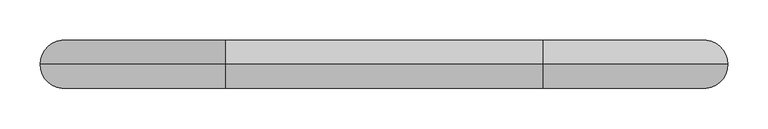
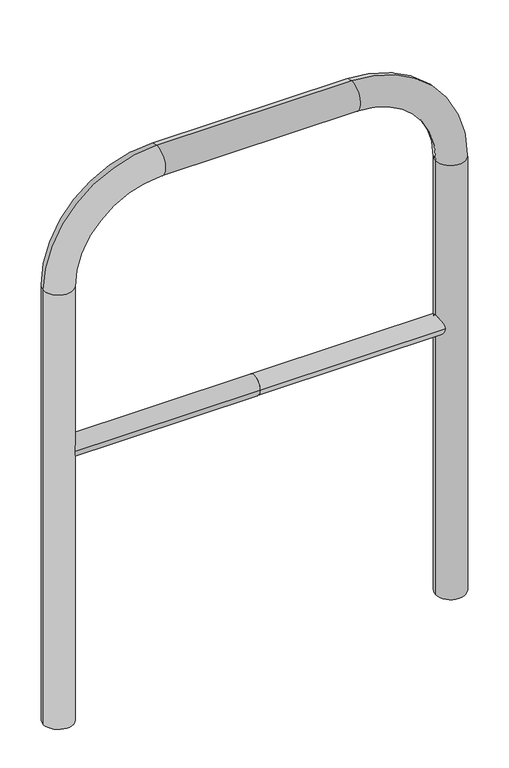
"""IFC4 building model written with IfcOpenShell, lengths in millimetres: proxy geometry."""

from ifc_helpers import new_model, si_unit, point, frame, frame_2d, origin, place, context, project, spatial, circle_curve, ellipse_curve, trimmed, segment, composite_curve, outline, extrude, source, transform, mapped, element, save
from ifc_brep_helpers import plane_surface, cylinder_surface, revolved_surface, advanced_brep


def generic_models_2510f343(model_context):
    return source(origin(), model_context, "Body", "SolidModel", [
        extrude(outline(composite_curve([segment(trimmed(circle_curve(frame_2d((0.0, 498.4778375)), 20.0), [point((-20.0, 498.4778375))], [point((20.0, 498.4778375))], False, "CARTESIAN"), True, "CONTINUOUS"), segment(trimmed(circle_curve(frame_2d((0.0, 498.4778375)), 20.0), [point((20.0, 498.4778375))], [point((-20.0, 498.4778375))], False, "CARTESIAN"), True, "CONTINUOUS")], self_intersect=False)), frame((-397.3366207, 0.0, 0.0), z_axis=(1.0, 0.0, 0.0), x_axis=(0.0, 1.0, 0.0)), (0.0, 0.0, 1.0), 397.3366207),
        extrude(outline(composite_curve([segment(trimmed(circle_curve(frame_2d((0.0, 498.4778375)), 20.0), [point((-20.0, 498.4778375))], [point((20.0, 498.4778375))], False, "CARTESIAN"), True, "CONTINUOUS"), segment(trimmed(circle_curve(frame_2d((0.0, 498.4778375)), 20.0), [point((20.0, 498.4778375))], [point((-20.0, 498.4778375))], False, "CARTESIAN"), True, "CONTINUOUS")], self_intersect=False)), frame((0.0, 0.0, 0.0), z_axis=(1.0, 0.0, 0.0), x_axis=(0.0, 1.0, 0.0)), (0.0, 0.0, 1.0), 397.3366207),
        advanced_brep(
        [(-367.3366207, 0.0, -80.0), (-427.3366207, 0.0, -80.0), (-367.3366207, 0.0, 850.0), (-427.3366207, 0.0, 850.0), (-197.3366207, 0.0, 1080.0), (-197.3366207, 0.0, 1020.0), (197.3366207, 0.0, 1020.0), (197.3366207, 0.0, 1080.0), (427.3366207, 0.0, 850.0), (367.3366207, 0.0, 850.0), (367.3366207, 0.0, -80.0), (427.3366207, 0.0, -80.0)],
        [
            (0, 1, circle_curve(frame((-397.3366207, 0.0, -80.0), z_axis=(0.0, 0.0, -1.0), x_axis=(-1.0, 0.0, 0.0)), 30.0)),
            (1, 0, circle_curve(frame((-397.3366207, 0.0, -80.0), z_axis=(0.0, 0.0, -1.0), x_axis=(-1.0, 0.0, 0.0)), 30.0)),
            (0, 2),
            (2, 3, circle_curve(frame((-397.3366207, 0.0, 850.0), z_axis=(0.0, 0.0, -1.0), x_axis=(-1.0, 0.0, 0.0)), 30.0)),
            (3, 1),
            (3, 2, circle_curve(frame((-397.3366207, 0.0, 850.0), z_axis=(0.0, 0.0, -1.0), x_axis=(-1.0, 0.0, 0.0)), 30.0)),
            (4, 3, circle_curve(frame((-197.3366207, 0.0, 850.0), z_axis=(0.0, -1.0, 0.0), x_axis=(-1.0, 0.0, 0.0)), 230.0)),
            (2, 5, circle_curve(frame((-197.3366207, 0.0, 850.0), z_axis=(0.0, 1.0, 0.0), x_axis=(-1.0, 0.0, 0.0)), 170.0)),
            (5, 4, circle_curve(frame((-197.3366207, 0.0, 1050.0), z_axis=(-1.0, 0.0, 0.0), x_axis=(0.0, 0.0, 1.0)), 30.0)),
            (4, 5, circle_curve(frame((-197.3366207, 0.0, 1050.0), z_axis=(-1.0, 0.0, 0.0), x_axis=(0.0, 0.0, 1.0)), 30.0)),
            (5, 6),
            (6, 7, circle_curve(frame((197.3366207, 0.0, 1050.0), z_axis=(-1.0, 0.0, 0.0), x_axis=(0.0, 0.0, 1.0)), 30.0)),
            (7, 4),
            (7, 6, circle_curve(frame((197.3366207, 0.0, 1050.0), z_axis=(-1.0, 0.0, 0.0), x_axis=(0.0, 0.0, 1.0)), 30.0)),
            (8, 7, circle_curve(frame((197.3366207, 0.0, 850.0), z_axis=(0.0, -1.0, 0.0), x_axis=(0.0, 0.0, 1.0)), 230.0)),
            (6, 9, circle_curve(frame((197.3366207, 0.0, 850.0), z_axis=(0.0, 1.0, 0.0), x_axis=(0.0, 0.0, 1.0)), 170.0)),
            (9, 8, circle_curve(frame((397.3366207, 0.0, 850.0), z_axis=(0.0, 0.0, 1.0), x_axis=(1.0, 0.0, 0.0)), 30.0)),
            (8, 9, circle_curve(frame((397.3366207, 0.0, 850.0), z_axis=(0.0, 0.0, 1.0), x_axis=(1.0, 0.0, 0.0)), 30.0)),
            (10, 11, circle_curve(frame((397.3366207, 0.0, -80.0), z_axis=(0.0, 0.0, -1.0), x_axis=(1.0, 0.0, 0.0)), 30.0)),
            (11, 10, circle_curve(frame((397.3366207, 0.0, -80.0), z_axis=(0.0, 0.0, -1.0), x_axis=(1.0, 0.0, 0.0)), 30.0)),
            (9, 10),
            (11, 8),
        ],
        [
            plane_surface(frame((-397.3366207, 0.0, -80.0), z_axis=(0.0, 0.0, -1.0), x_axis=(0.0, -1.0, 0.0))),
            cylinder_surface(frame((-397.3366207, 0.0, -80.0), z_axis=(0.0, 0.0, -1.0), x_axis=(-1.0, 0.0, 0.0)), 30.0),
            revolved_surface(trimmed(ellipse_curve(frame((-397.3366207, 0.0, 850.0), z_axis=(0.0, 0.0, -1.0), x_axis=(-1.0, 0.0, 0.0)), 30.0, 30.0), [point((-367.3366207, 0.0, 850.0))], [point((-427.3366207, 0.0, 850.0))], True, "CARTESIAN"), (-197.3366207, 0.0, 850.0), (0.0, 1.0, 0.0)),
            revolved_surface(trimmed(ellipse_curve(frame((-397.3366207, 0.0, 850.0), z_axis=(0.0, 0.0, -1.0), x_axis=(-1.0, 0.0, 0.0)), 30.0, 30.0), [point((-427.3366207, 0.0, 850.0))], [point((-367.3366207, 0.0, 850.0))], True, "CARTESIAN"), (-197.3366207, 0.0, 850.0), (0.0, 1.0, 0.0)),
            cylinder_surface(frame((-197.3366207, 0.0, 1050.0), z_axis=(-1.0, 0.0, 0.0), x_axis=(0.0, 0.0, 1.0)), 30.0),
            revolved_surface(trimmed(ellipse_curve(frame((197.3366207, 0.0, 1050.0), z_axis=(-1.0, 0.0, 0.0), x_axis=(0.0, 0.0, 1.0)), 30.0, 30.0), [point((197.3366207, 0.0, 1020.0))], [point((197.3366207, 0.0, 1080.0))], True, "CARTESIAN"), (197.3366207, 0.0, 850.0), (0.0, 1.0, 0.0)),
            revolved_surface(trimmed(ellipse_curve(frame((197.3366207, 0.0, 1050.0), z_axis=(-1.0, 0.0, 0.0), x_axis=(0.0, 0.0, 1.0)), 30.0, 30.0), [point((197.3366207, 0.0, 1080.0))], [point((197.3366207, 0.0, 1020.0))], True, "CARTESIAN"), (197.3366207, 0.0, 850.0), (0.0, 1.0, 0.0)),
            plane_surface(frame((397.3366207, 0.0, -80.0), z_axis=(0.0, 0.0, -1.0), x_axis=(0.0, -1.0, 0.0))),
            cylinder_surface(frame((397.3366207, 0.0, 850.0), z_axis=(0.0, 0.0, 1.0), x_axis=(1.0, 0.0, 0.0)), 30.0),
        ],
        [
            (0, [[1, 2]]),
            (1, [[-1, 3, 4, 5]]),
            (1, [[-2, -5, 6, -3]]),
            (2, [[7, -4, 8, 9]]),
            (3, [[-8, -6, -7, 10]]),
            (4, [[-9, 11, 12, 13]]),
            (4, [[-10, -13, 14, -11]]),
            (5, [[15, -12, 16, 17]]),
            (6, [[-16, -14, -15, 18]]),
            (7, [[19, 20]]),
            (8, [[-17, 21, -20, 22]]),
            (8, [[-18, -22, -19, -21]]),
        ],
    ),
    ])


if __name__ == "__main__":
    model = new_model("IFC4")
    model_context = context("Model", 3, world=origin())
    ifc_project = project(units=[si_unit("LENGTHUNIT", "METRE", prefix="MILLI")], contexts=[model_context])
    site = spatial("IfcSite", under=ifc_project)
    building = spatial("IfcBuilding", under=site)
    placement = place(None, origin())
    generic_models_shape = generic_models_2510f343(model_context)
    element("IfcBuildingElementProxy", 1, Name="Generic Models", at=placement, inside=building, context=model_context, shape_type="MappedRepresentation", body=[
        mapped(generic_models_shape, transform((0.0, 0.0, 0.0), x_axis=(1.0, 0.0, 0.0), y_axis=(0.0, 1.0, 0.0), z_axis=(0.0, 0.0, 1.0))),
    ])
    save(model, "model.ifc")
